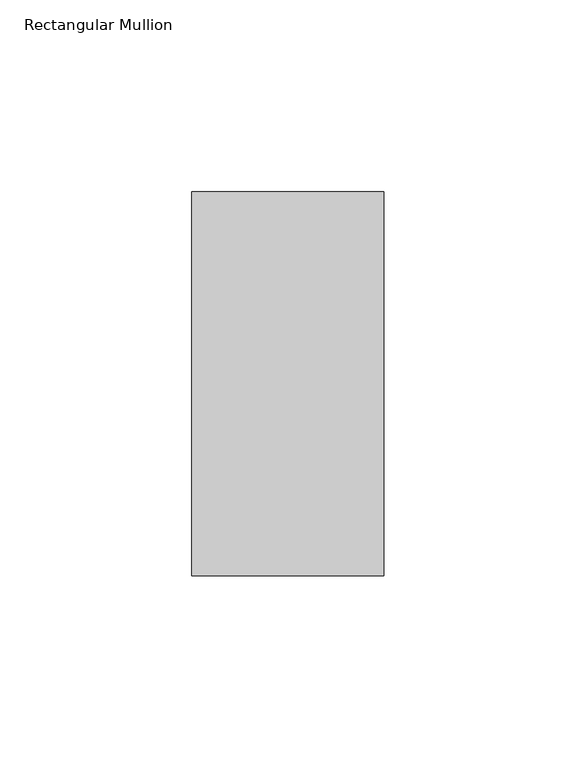
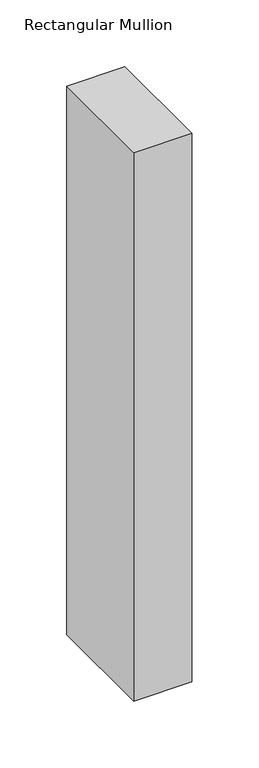
"""IFC4 building model written with IfcOpenShell, lengths in millimetres: member geometry, Rectangular Mullion."""

from ifc_helpers import new_model, si_unit, frame, origin, place, context, project, spatial, polyline, outline, extrude, source, transform, mapped, element, save


def rectangular_mullion_8fc70b78(model_context):
    return source(origin(), model_context, "Body", "SweptSolid", [
        extrude(outline(polyline([(25.0, 31.0), (25.0, -69.0), (-25.0, -69.0), (-25.0, 31.0), (25.0, 31.0)])), frame((0.0, 0.0, -500.0), z_axis=(0.0, 0.0, 1.0), x_axis=(1.0, 0.0, 0.0)), (0.0, 0.0, 1.0), 500.0),
    ])


if __name__ == "__main__":
    model = new_model("IFC4")
    model_context = context("Model", 3, world=origin())
    ifc_project = project(units=[si_unit("LENGTHUNIT", "METRE", prefix="MILLI")], contexts=[model_context])
    site = spatial("IfcSite", under=ifc_project)
    building = spatial("IfcBuilding", under=site)
    placement = place(None, origin())
    rectangular_mullion_shape = rectangular_mullion_8fc70b78(model_context)
    element("IfcMember", 1, ObjectType="Rectangular Mullion", at=placement, inside=building, context=model_context, shape_type="MappedRepresentation", body=[
        mapped(rectangular_mullion_shape, transform((0.0, 0.0, 0.0), x_axis=(1.0, 0.0, 0.0), y_axis=(0.0, 1.0, 0.0), z_axis=(0.0, 0.0, 1.0))),
    ])
    save(model, "model.ifc")
